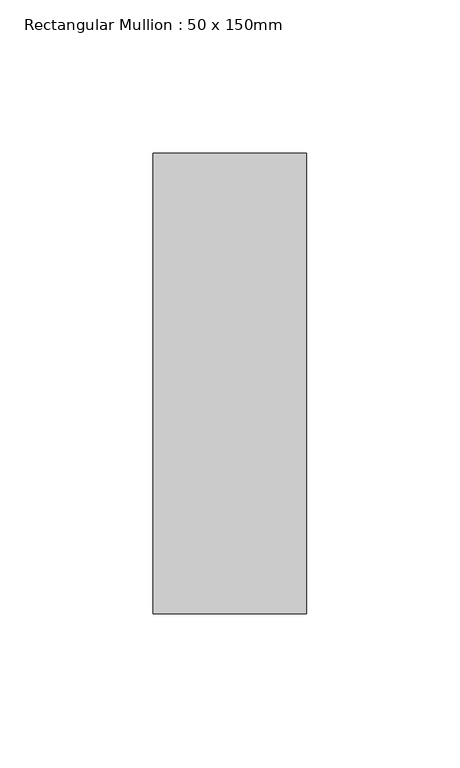
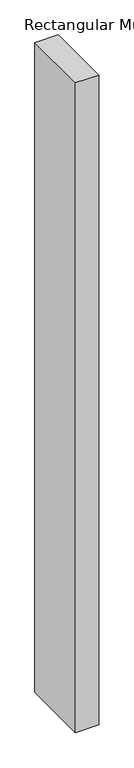
"""IFC4 building model written with IfcOpenShell, lengths in millimetres: member geometry, Rectangular Mullion : 50 x 150mm."""

from ifc_helpers import new_model, si_unit, frame, origin, place, context, project, spatial, polyline, outline, extrude, source, transform, mapped, element, save


def rectangular_mullion_50_x_150mm_15c7c822(model_context):
    return source(origin(), model_context, "Body", "SweptSolid", [
        extrude(outline(polyline([(25.0, 75.0), (25.0, -75.0), (-25.0, -75.0), (-25.0, 75.0), (25.0, 75.0)])), frame((0.0, 0.0, -1469.9500293), z_axis=(0.0, 0.0, 1.0), x_axis=(1.0, 0.0, 0.0)), (0.0, 0.0, 1.0), 1469.9500293),
    ])


if __name__ == "__main__":
    model = new_model("IFC4")
    model_context = context("Model", 3, world=origin())
    ifc_project = project(units=[si_unit("LENGTHUNIT", "METRE", prefix="MILLI")], contexts=[model_context])
    site = spatial("IfcSite", under=ifc_project)
    building = spatial("IfcBuilding", under=site)
    placement = place(None, origin())
    rectangular_mullion_50_x_150mm_shape = rectangular_mullion_50_x_150mm_15c7c822(model_context)
    element("IfcMember", 1, ObjectType="Rectangular Mullion : 50 x 150mm", at=placement, inside=building, context=model_context, shape_type="MappedRepresentation", body=[
        mapped(rectangular_mullion_50_x_150mm_shape, transform((0.0, 0.0, 0.0), x_axis=(1.0, 0.0, 0.0), y_axis=(0.0, 1.0, 0.0), z_axis=(0.0, 0.0, 1.0))),
    ])
    save(model, "model.ifc")
